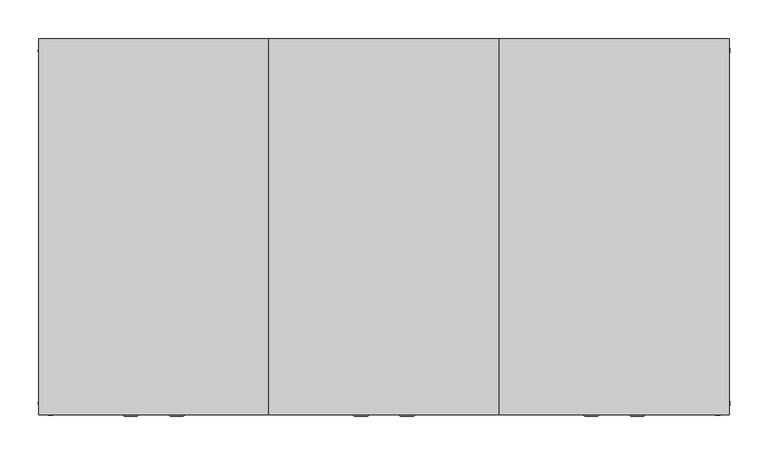
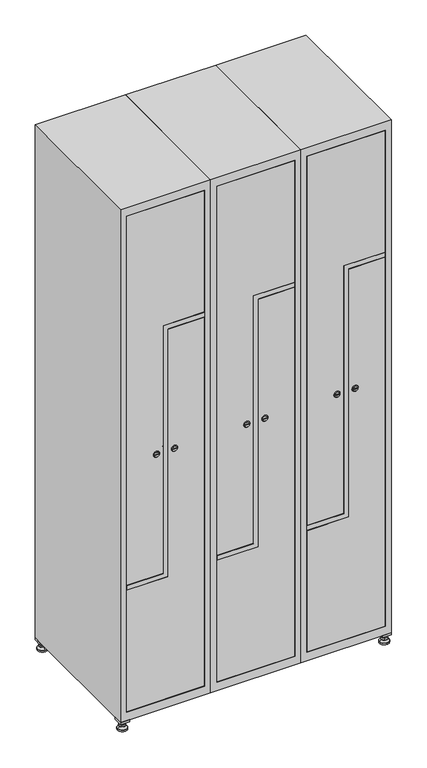
"""IFC4 building model written with IfcOpenShell, lengths in millimetres: furniture geometry."""

from ifc_helpers import new_model, si_unit, point, frame, frame_2d, origin, origin_with_axes, place, context, project, spatial, polyline, circle_curve, trimmed, segment, composite_curve, outline, extrude, faceted_brep, source, transform, mapped, element, save
from ifc_brep_helpers import plane_surface, revolved_surface, advanced_brep


def furniture_17e554ae(model_context):
    return source(origin(), model_context, "Body", "SolidModel", [
        extrude(outline(polyline([(700.0, 245.0), (700.0, 215.0), (670.0, 215.0), (670.0, 245.0), (700.0, 245.0)]), holes=[polyline([(698.0, 243.0), (672.0, 243.0), (672.0, 217.0), (698.0, 217.0), (698.0, 243.0)])]), frame((0.0, 0.0, 28.5), z_axis=(0.0, 0.0, 1.0), x_axis=(1.0, 0.0, 0.0)), (0.0, 0.0, 1.0), 6.5),
        extrude(outline(polyline([(670.0, -245.0), (670.0, -215.0), (700.0, -215.0), (700.0, -245.0), (670.0, -245.0)]), holes=[polyline([(672.0, -243.0), (698.0, -243.0), (698.0, -217.0), (672.0, -217.0), (672.0, -243.0)])]), frame((0.0, 0.0, 28.5), z_axis=(0.0, 0.0, 1.0), x_axis=(1.0, 0.0, 0.0)), (0.0, 0.0, 1.0), 6.5),
        extrude(outline(polyline([(-170.0, 245.0), (-170.0, 215.0), (-200.0, 215.0), (-200.0, 245.0), (-170.0, 245.0)]), holes=[polyline([(-172.0, 243.0), (-198.0, 243.0), (-198.0, 217.0), (-172.0, 217.0), (-172.0, 243.0)])]), frame((0.0, 0.0, 28.5), z_axis=(0.0, 0.0, 1.0), x_axis=(1.0, 0.0, 0.0)), (0.0, 0.0, 1.0), 6.5),
        extrude(outline(polyline([(-170.0, -215.0), (-170.0, -245.0), (-200.0, -245.0), (-200.0, -215.0), (-170.0, -215.0)]), holes=[polyline([(-198.0, -243.0), (-172.0, -243.0), (-172.0, -217.0), (-198.0, -217.0), (-198.0, -243.0)])]), frame((0.0, 0.0, 28.5), z_axis=(0.0, 0.0, 1.0), x_axis=(1.0, 0.0, 0.0)), (0.0, 0.0, 1.0), 6.5),
        extrude(outline(composite_curve([segment(trimmed(circle_curve(frame_2d((-185.0, 230.0)), 5.0), [point((-180.0, 230.0))], [point((-190.0, 230.0))], False, "CARTESIAN"), True, "CONTINUOUS"), segment(trimmed(circle_curve(frame_2d((-185.0, 230.0)), 5.0), [point((-190.0, 230.0))], [point((-180.0, 230.0))], False, "CARTESIAN"), True, "CONTINUOUS")], self_intersect=False)), frame((0.0, 0.0, 19.6), z_axis=(0.0, 0.0, 1.0), x_axis=(1.0, 0.0, 0.0)), (0.0, 0.0, 1.0), 15.4),
        extrude(outline(composite_curve([segment(trimmed(circle_curve(frame_2d((-185.0, -230.0)), 5.0), [point((-180.0, -230.0))], [point((-190.0, -230.0))], False, "CARTESIAN"), True, "CONTINUOUS"), segment(trimmed(circle_curve(frame_2d((-185.0, -230.0)), 5.0), [point((-190.0, -230.0))], [point((-180.0, -230.0))], False, "CARTESIAN"), True, "CONTINUOUS")], self_intersect=False)), frame((0.0, 0.0, 19.6), z_axis=(0.0, 0.0, 1.0), x_axis=(1.0, 0.0, 0.0)), (0.0, 0.0, 1.0), 15.4),
        extrude(outline(composite_curve([segment(trimmed(circle_curve(frame_2d((685.0, 230.0)), 5.0), [point((690.0, 230.0))], [point((680.0, 230.0))], False, "CARTESIAN"), True, "CONTINUOUS"), segment(trimmed(circle_curve(frame_2d((685.0, 230.0)), 5.0), [point((680.0, 230.0))], [point((690.0, 230.0))], False, "CARTESIAN"), True, "CONTINUOUS")], self_intersect=False)), frame((0.0, 0.0, 19.6), z_axis=(0.0, 0.0, 1.0), x_axis=(1.0, 0.0, 0.0)), (0.0, 0.0, 1.0), 15.4),
        extrude(outline(polyline([(673.4529946, 230.0), (679.2264973, 240.0), (690.7735027, 240.0), (696.5470054, 230.0), (690.7735027, 220.0), (679.2264973, 220.0), (673.4529946, 230.0)])), frame((0.0, 0.0, 13.6), z_axis=(0.0, 0.0, 1.0), x_axis=(1.0, 0.0, 0.0)), (0.0, 0.0, 1.0), 6.0),
        extrude(outline(composite_curve([segment(trimmed(circle_curve(frame_2d((685.0, -230.0)), 5.0), [point((690.0, -230.0))], [point((680.0, -230.0))], False, "CARTESIAN"), True, "CONTINUOUS"), segment(trimmed(circle_curve(frame_2d((685.0, -230.0)), 5.0), [point((680.0, -230.0))], [point((690.0, -230.0))], False, "CARTESIAN"), True, "CONTINUOUS")], self_intersect=False)), frame((0.0, 0.0, 19.6), z_axis=(0.0, 0.0, 1.0), x_axis=(1.0, 0.0, 0.0)), (0.0, 0.0, 1.0), 15.4),
        extrude(outline(polyline([(673.4529946, -230.0), (679.2264973, -220.0), (690.7735027, -220.0), (696.5470054, -230.0), (690.7735027, -240.0), (679.2264973, -240.0), (673.4529946, -230.0)])), frame((0.0, 0.0, 13.6), z_axis=(0.0, 0.0, 1.0), x_axis=(1.0, 0.0, 0.0)), (0.0, 0.0, 1.0), 6.0),
        extrude(outline(composite_curve([segment(trimmed(circle_curve(frame_2d((685.0, 230.0)), 5.0), [point((690.0, 230.0))], [point((680.0, 230.0))], False, "CARTESIAN"), True, "CONTINUOUS"), segment(trimmed(circle_curve(frame_2d((685.0, 230.0)), 5.0), [point((680.0, 230.0))], [point((690.0, 230.0))], False, "CARTESIAN"), True, "CONTINUOUS")], self_intersect=False)), frame((0.0, 0.0, 12.1), z_axis=(0.0, 0.0, 1.0), x_axis=(1.0, 0.0, 0.0)), (0.0, 0.0, 1.0), 1.5),
        extrude(outline(composite_curve([segment(trimmed(circle_curve(frame_2d((685.0, -230.0)), 5.0), [point((690.0, -230.0))], [point((680.0, -230.0))], False, "CARTESIAN"), True, "CONTINUOUS"), segment(trimmed(circle_curve(frame_2d((685.0, -230.0)), 5.0), [point((680.0, -230.0))], [point((690.0, -230.0))], False, "CARTESIAN"), True, "CONTINUOUS")], self_intersect=False)), frame((0.0, 0.0, 12.1), z_axis=(0.0, 0.0, 1.0), x_axis=(1.0, 0.0, 0.0)), (0.0, 0.0, 1.0), 1.5),
        extrude(outline(polyline([(-196.5470054, 230.0), (-190.7735027, 240.0), (-179.2264973, 240.0), (-173.4529946, 230.0), (-179.2264973, 220.0), (-190.7735027, 220.0), (-196.5470054, 230.0)])), frame((0.0, 0.0, 13.6), z_axis=(0.0, 0.0, 1.0), x_axis=(1.0, 0.0, 0.0)), (0.0, 0.0, 1.0), 6.0),
        extrude(outline(polyline([(-196.5470054, -230.0), (-190.7735027, -220.0), (-179.2264973, -220.0), (-173.4529946, -230.0), (-179.2264973, -240.0), (-190.7735027, -240.0), (-196.5470054, -230.0)])), frame((0.0, 0.0, 13.6), z_axis=(0.0, 0.0, 1.0), x_axis=(1.0, 0.0, 0.0)), (0.0, 0.0, 1.0), 6.0),
        extrude(outline(composite_curve([segment(trimmed(circle_curve(frame_2d((-185.0, 230.0)), 5.0), [point((-185.0, 235.0))], [point((-185.0, 225.0))], False, "CARTESIAN"), True, "CONTINUOUS"), segment(trimmed(circle_curve(frame_2d((-185.0, 230.0)), 5.0), [point((-185.0, 225.0))], [point((-185.0, 235.0))], False, "CARTESIAN"), True, "CONTINUOUS")], self_intersect=False)), frame((0.0, 0.0, 12.1), z_axis=(0.0, 0.0, 1.0), x_axis=(1.0, 0.0, 0.0)), (0.0, 0.0, 1.0), 1.5),
        extrude(outline(composite_curve([segment(trimmed(circle_curve(frame_2d((-185.0, -230.0)), 5.0), [point((-180.0, -230.0))], [point((-190.0, -230.0))], False, "CARTESIAN"), True, "CONTINUOUS"), segment(trimmed(circle_curve(frame_2d((-185.0, -230.0)), 5.0), [point((-190.0, -230.0))], [point((-180.0, -230.0))], False, "CARTESIAN"), True, "CONTINUOUS")], self_intersect=False)), frame((0.0, 0.0, 12.1), z_axis=(0.0, 0.0, 1.0), x_axis=(1.0, 0.0, 0.0)), (0.0, 0.0, 1.0), 1.5),
        extrude(outline(composite_curve([segment(trimmed(circle_curve(frame_2d((685.0, 230.0)), 15.75), [point((700.75, 230.0))], [point((669.25, 230.0))], False, "CARTESIAN"), True, "CONTINUOUS"), segment(trimmed(circle_curve(frame_2d((685.0, 230.0)), 15.75), [point((669.25, 230.0))], [point((700.75, 230.0))], False, "CARTESIAN"), True, "CONTINUOUS")], self_intersect=False)), origin_with_axes(), (0.0, 0.0, 1.0), 5.1),
        extrude(outline(composite_curve([segment(trimmed(circle_curve(frame_2d((685.0, -230.0)), 15.75), [point((685.0, -214.25))], [point((685.0, -245.75))], False, "CARTESIAN"), True, "CONTINUOUS"), segment(trimmed(circle_curve(frame_2d((685.0, -230.0)), 15.75), [point((685.0, -245.75))], [point((685.0, -214.25))], False, "CARTESIAN"), True, "CONTINUOUS")], self_intersect=False)), origin_with_axes(), (0.0, 0.0, 1.0), 5.1),
        extrude(outline(composite_curve([segment(trimmed(circle_curve(frame_2d((-185.0, -230.0)), 15.75), [point((-169.25, -230.0))], [point((-200.75, -230.0))], False, "CARTESIAN"), True, "CONTINUOUS"), segment(trimmed(circle_curve(frame_2d((-185.0, -230.0)), 15.75), [point((-200.75, -230.0))], [point((-169.25, -230.0))], False, "CARTESIAN"), True, "CONTINUOUS")], self_intersect=False)), origin_with_axes(), (0.0, 0.0, 1.0), 5.1),
        extrude(outline(composite_curve([segment(trimmed(circle_curve(frame_2d((-185.0, 230.0)), 15.75), [point((-169.25, 230.0))], [point((-200.75, 230.0))], False, "CARTESIAN"), True, "CONTINUOUS"), segment(trimmed(circle_curve(frame_2d((-185.0, 230.0)), 15.75), [point((-200.75, 230.0))], [point((-169.25, 230.0))], False, "CARTESIAN"), True, "CONTINUOUS")], self_intersect=False)), origin_with_axes(), (0.0, 0.0, 1.0), 5.1),
        advanced_brep(
        [(-185.0, 245.75, 5.1), (-185.0, 214.25, 5.1), (-185.0, 239.5, 12.1), (-185.0, 220.5, 12.1)],
        [
            (0, 1, circle_curve(frame((-185.0, 230.0, 5.1), z_axis=(0.0, 0.0, -1.0), x_axis=(0.0, 1.0, 0.0)), 15.75)),
            (1, 0, circle_curve(frame((-185.0, 230.0, 5.1), z_axis=(0.0, 0.0, -1.0), x_axis=(0.0, -1.0, 0.0)), 15.75)),
            (2, 3, circle_curve(frame((-185.0, 230.0, 12.1), z_axis=(0.0, 0.0, 1.0), x_axis=(0.0, -1.0, 0.0)), 9.5)),
            (3, 2, circle_curve(frame((-185.0, 230.0, 12.1), z_axis=(0.0, 0.0, 1.0), x_axis=(0.0, 1.0, 0.0)), 9.5)),
            (3, 1),
            (0, 2),
        ],
        [
            plane_surface(frame((-185.0, 230.0, 5.1), z_axis=(0.0, 0.0, -1.0), x_axis=(1.0, 0.0, 0.0))),
            plane_surface(frame((-185.0, 230.0, 12.1), z_axis=(0.0, 0.0, 1.0), x_axis=(1.0, 0.0, 0.0))),
            revolved_surface(polyline([(-185.0, 220.5, 12.099999999999998), (-185.0, 214.25, 5.099999999999998)]), (-185.0, 230.0, 22.74), (0.0, 0.0, -1.0)),
            revolved_surface(polyline([(-185.0, 239.5, 12.099999999999998), (-185.0, 245.75, 5.099999999999998)]), (-185.0, 230.0, 22.74), (0.0, 0.0, -1.0)),
        ],
        [
            (0, [[1, 2]]),
            (1, [[3, 4]]),
            (2, [[-4, 5, -1, 6]]),
            (3, [[-3, -6, -2, -5]]),
        ],
    ),
        advanced_brep(
        [(685.0, 245.75, 5.1), (685.0, 214.25, 5.1), (685.0, 239.5, 12.1), (685.0, 220.5, 12.1)],
        [
            (0, 1, circle_curve(frame((685.0, 230.0, 5.1), z_axis=(0.0, 0.0, -1.0), x_axis=(0.0, 1.0, 0.0)), 15.75)),
            (1, 0, circle_curve(frame((685.0, 230.0, 5.1), z_axis=(0.0, 0.0, -1.0), x_axis=(0.0, -1.0, 0.0)), 15.75)),
            (2, 3, circle_curve(frame((685.0, 230.0, 12.1), z_axis=(0.0, 0.0, 1.0), x_axis=(0.0, -1.0, 0.0)), 9.5)),
            (3, 2, circle_curve(frame((685.0, 230.0, 12.1), z_axis=(0.0, 0.0, 1.0), x_axis=(0.0, 1.0, 0.0)), 9.5)),
            (3, 1),
            (0, 2),
        ],
        [
            plane_surface(frame((685.0, 230.0, 5.1), z_axis=(0.0, 0.0, -1.0), x_axis=(1.0, 0.0, 0.0))),
            plane_surface(frame((685.0, 230.0, 12.1), z_axis=(0.0, 0.0, 1.0), x_axis=(1.0, 0.0, 0.0))),
            revolved_surface(polyline([(685.0, 220.5, 12.099999999999998), (685.0, 214.25, 5.099999999999998)]), (685.0, 230.0, 22.74), (0.0, 0.0, -1.0)),
            revolved_surface(polyline([(685.0, 239.5, 12.099999999999998), (685.0, 245.75, 5.099999999999998)]), (685.0, 230.0, 22.74), (0.0, 0.0, -1.0)),
        ],
        [
            (0, [[1, 2]]),
            (1, [[3, 4]]),
            (2, [[-4, 5, -1, 6]]),
            (3, [[-3, -6, -2, -5]]),
        ],
    ),
        advanced_brep(
        [(694.5, -230.0, 12.1), (675.5, -230.0, 12.1), (700.75, -230.0, 5.1), (669.25, -230.0, 5.1)],
        [
            (0, 1, circle_curve(frame((685.0, -230.0, 12.1), z_axis=(0.0, 0.0, 1.0), x_axis=(1.0, 0.0, 0.0)), 9.5)),
            (1, 0, circle_curve(frame((685.0, -230.0, 12.1), z_axis=(0.0, 0.0, 1.0), x_axis=(-1.0, 0.0, 0.0)), 9.5)),
            (2, 3, circle_curve(frame((685.0, -230.0, 5.1), z_axis=(0.0, 0.0, -1.0), x_axis=(-1.0, 0.0, 0.0)), 15.75)),
            (3, 2, circle_curve(frame((685.0, -230.0, 5.1), z_axis=(0.0, 0.0, -1.0), x_axis=(1.0, 0.0, 0.0)), 15.75)),
            (3, 1),
            (0, 2),
        ],
        [
            plane_surface(frame((685.0, -230.0, 12.1), z_axis=(0.0, 0.0, 1.0), x_axis=(0.0, 1.0, 0.0))),
            plane_surface(frame((685.0, -230.0, 5.1), z_axis=(0.0, 0.0, -1.0), x_axis=(0.0, 1.0, 0.0))),
            revolved_surface(polyline([(694.5, -230.0, 12.099999999999998), (700.75, -230.0, 5.099999999999998)]), (685.0, -230.0, 22.74), (0.0, 0.0, -1.0)),
            revolved_surface(polyline([(675.5, -230.0, 12.099999999999998), (669.25, -230.0, 5.099999999999998)]), (685.0, -230.0, 22.74), (0.0, 0.0, -1.0)),
        ],
        [
            (0, [[1, 2]]),
            (1, [[3, 4]]),
            (2, [[-4, 5, -1, 6]]),
            (3, [[-3, -6, -2, -5]]),
        ],
    ),
        advanced_brep(
        [(-175.5, -230.0, 12.1), (-194.5, -230.0, 12.1), (-169.25, -230.0, 5.1), (-200.75, -230.0, 5.1)],
        [
            (0, 1, circle_curve(frame((-185.0, -230.0, 12.1), z_axis=(0.0, 0.0, 1.0), x_axis=(1.0, 0.0, 0.0)), 9.5)),
            (1, 0, circle_curve(frame((-185.0, -230.0, 12.1), z_axis=(0.0, 0.0, 1.0), x_axis=(-1.0, 0.0, 0.0)), 9.5)),
            (2, 3, circle_curve(frame((-185.0, -230.0, 5.1), z_axis=(0.0, 0.0, -1.0), x_axis=(-1.0, 0.0, 0.0)), 15.75)),
            (3, 2, circle_curve(frame((-185.0, -230.0, 5.1), z_axis=(0.0, 0.0, -1.0), x_axis=(1.0, 0.0, 0.0)), 15.75)),
            (3, 1),
            (0, 2),
        ],
        [
            plane_surface(frame((-185.0, -230.0, 12.1), z_axis=(0.0, 0.0, 1.0), x_axis=(0.0, 1.0, 0.0))),
            plane_surface(frame((-185.0, -230.0, 5.1), z_axis=(0.0, 0.0, -1.0), x_axis=(0.0, 1.0, 0.0))),
            revolved_surface(polyline([(-175.5, -230.0, 12.099999999999998), (-169.25, -230.0, 5.099999999999998)]), (-185.0, -230.0, 22.74), (0.0, 0.0, -1.0)),
            revolved_surface(polyline([(-194.5, -230.0, 12.099999999999998), (-200.75, -230.0, 5.099999999999998)]), (-185.0, -230.0, 22.74), (0.0, 0.0, -1.0)),
        ],
        [
            (0, [[1, 2]]),
            (1, [[3, 4]]),
            (2, [[-4, 5, -1, 6]]),
            (3, [[-3, -6, -2, -5]]),
        ],
    ),
        extrude(outline(composite_curve([segment(trimmed(circle_curve(frame_2d((935.0, 546.7989466)), 7.0), [point((928.0, 546.7989466))], [point((942.0, 546.7989466))], False, "CARTESIAN"), True, "CONTINUOUS"), segment(polyline([(942.0, 546.7989466), (942.0, 518.7989466)]), True, "CONTINUOUS"), segment(trimmed(circle_curve(frame_2d((935.0, 518.7989466)), 7.0), [point((942.0, 518.7989466))], [point((928.0, 518.7989466))], False, "CARTESIAN"), True, "CONTINUOUS"), segment(polyline([(928.0, 518.7989466), (928.0, 546.7989466)]), True, "CONTINUOUS")], self_intersect=False)), frame((0.0, -227.0, 0.0), z_axis=(0.0, 1.0, 0.0), x_axis=(0.0, 0.0, 1.0)), (0.0, 0.0, 1.0), 2.0),
        advanced_brep(
        [(511.5, -247.2, 935.0), (528.5, -247.2, 935.0), (525.0, -247.2, 936.25), (525.0, -247.2, 933.75), (515.0, -247.2, 933.75), (515.0, -247.2, 936.25), (509.5, -245.0, 935.0), (530.5, -245.0, 935.0), (525.0, -245.0, 933.75), (525.0, -245.0, 936.25), (515.0, -245.0, 936.25), (515.0, -245.0, 933.75)],
        [
            (0, 1, circle_curve(frame((520.0, -247.2, 935.0), z_axis=(0.0, -1.0, 0.0), x_axis=(-1.0, 0.0, 0.0)), 8.5)),
            (1, 0, circle_curve(frame((520.0, -247.2, 935.0), z_axis=(0.0, -1.0, 0.0), x_axis=(1.0, 0.0, 0.0)), 8.5)),
            (2, 3),
            (3, 4),
            (4, 5),
            (5, 2),
            (6, 7, circle_curve(frame((520.0, -245.0, 935.0), z_axis=(0.0, 1.0, 0.0), x_axis=(1.0, 0.0, 0.0)), 10.5)),
            (7, 6, circle_curve(frame((520.0, -245.0, 935.0), z_axis=(0.0, 1.0, 0.0), x_axis=(-1.0, 0.0, 0.0)), 10.5)),
            (8, 9),
            (9, 10),
            (10, 11),
            (11, 8),
            (0, 6),
            (7, 1),
            (8, 3),
            (2, 9),
            (11, 4),
            (10, 5),
        ],
        [
            plane_surface(frame((520.0, -247.2, 935.0), z_axis=(0.0, -1.0, 0.0), x_axis=(0.0, 0.0, -1.0))),
            plane_surface(frame((520.0, -245.0, 935.0), z_axis=(0.0, 1.0, 0.0), x_axis=(0.0, 0.0, -1.0))),
            revolved_surface(polyline([(511.5, -247.2, 935.0), (509.5, -245.0, 935.0)]), (520.0, -256.55, 935.0), (0.0, 1.0, 0.0)),
            revolved_surface(polyline([(528.5, -247.2, 935.0), (530.5, -245.0, 935.0)]), (520.0, -256.55, 935.0), (0.0, 1.0, 0.0)),
            plane_surface(frame((525.0, -245.0, 936.25), z_axis=(-1.0, 0.0, 0.0), x_axis=(0.0, -1.0, 0.0))),
            plane_surface(frame((525.0, -245.0, 933.75), z_axis=(0.0, 0.0, 1.0), x_axis=(0.0, -1.0, 0.0))),
            plane_surface(frame((515.0, -245.0, 933.75), z_axis=(1.0, 0.0, 0.0), x_axis=(0.0, -1.0, 0.0))),
            plane_surface(frame((515.0, -245.0, 936.25), z_axis=(0.0, 0.0, -1.0), x_axis=(0.0, -1.0, 0.0))),
        ],
        [
            (0, [[1, 2], [3, 4, 5, 6]]),
            (1, [[7, 8], [9, 10, 11, 12]]),
            (2, [[-1, 13, -8, 14]]),
            (3, [[-2, -14, -7, -13]]),
            (4, [[15, -3, 16, -9]]),
            (5, [[-15, -12, 17, -4]]),
            (6, [[-17, -11, 18, -5]]),
            (7, [[-16, -6, -18, -10]]),
        ],
    ),
        extrude(outline(polyline([(1803.8, 421.4), (509.6, 421.4), (509.6, 541.0), (1378.4, 541.0), (1378.4, 678.6), (1803.8, 678.6), (1803.8, 421.4)])), frame((0.0, -245.0, 0.0), z_axis=(0.0, 1.0, 0.0), x_axis=(0.0, 0.0, 1.0)), (0.0, 0.0, 1.0), 18.0),
        extrude(outline(composite_curve([segment(trimmed(circle_curve(frame_2d((935.0, 553.2010534)), 7.0), [point((942.0, 553.2010534))], [point((928.0, 553.2010534))], False, "CARTESIAN"), True, "CONTINUOUS"), segment(polyline([(928.0, 553.2010534), (928.0, 581.2010534)]), True, "CONTINUOUS"), segment(trimmed(circle_curve(frame_2d((935.0, 581.2010534)), 7.0), [point((928.0, 581.2010534))], [point((942.0, 581.2010534))], False, "CARTESIAN"), True, "CONTINUOUS"), segment(polyline([(942.0, 581.2010534), (942.0, 553.2010534)]), True, "CONTINUOUS")], self_intersect=False)), frame((0.0, -227.0, 0.0), z_axis=(0.0, 1.0, 0.0), x_axis=(0.0, 0.0, 1.0)), (0.0, 0.0, 1.0), 2.0),
        advanced_brep(
        [(588.5, -247.2, 935.0), (571.5, -247.2, 935.0), (575.0, -247.2, 933.75), (575.0, -247.2, 936.25), (585.0, -247.2, 936.25), (585.0, -247.2, 933.75), (590.5, -245.0, 935.0), (569.5, -245.0, 935.0), (575.0, -245.0, 936.25), (575.0, -245.0, 933.75), (585.0, -245.0, 933.75), (585.0, -245.0, 936.25)],
        [
            (0, 1, circle_curve(frame((580.0, -247.2, 935.0), z_axis=(0.0, -1.0, 0.0), x_axis=(1.0, 0.0, 0.0)), 8.5)),
            (1, 0, circle_curve(frame((580.0, -247.2, 935.0), z_axis=(0.0, -1.0, 0.0), x_axis=(-1.0, 0.0, 0.0)), 8.5)),
            (2, 3),
            (3, 4),
            (4, 5),
            (5, 2),
            (6, 7, circle_curve(frame((580.0, -245.0, 935.0), z_axis=(0.0, 1.0, 0.0), x_axis=(-1.0, 0.0, 0.0)), 10.5)),
            (7, 6, circle_curve(frame((580.0, -245.0, 935.0), z_axis=(0.0, 1.0, 0.0), x_axis=(1.0, 0.0, 0.0)), 10.5)),
            (8, 9),
            (9, 10),
            (10, 11),
            (11, 8),
            (0, 6),
            (7, 1),
            (8, 3),
            (2, 9),
            (11, 4),
            (10, 5),
        ],
        [
            plane_surface(frame((580.0, -247.2, 935.0), z_axis=(0.0, -1.0, 0.0), x_axis=(0.0, 0.0, 1.0))),
            plane_surface(frame((580.0, -245.0, 935.0), z_axis=(0.0, 1.0, 0.0), x_axis=(0.0, 0.0, 1.0))),
            revolved_surface(polyline([(588.5, -247.2, 935.0), (590.5, -245.0, 935.0)]), (580.0, -256.55, 935.0), (0.0, 1.0, 0.0)),
            revolved_surface(polyline([(571.5, -247.2, 935.0), (569.5, -245.0, 935.0)]), (580.0, -256.55, 935.0), (0.0, 1.0, 0.0)),
            plane_surface(frame((575.0, -245.0, 933.75), z_axis=(1.0, 0.0, 0.0), x_axis=(0.0, -1.0, 0.0))),
            plane_surface(frame((575.0, -245.0, 936.25), z_axis=(0.0, 0.0, -1.0), x_axis=(0.0, -1.0, 0.0))),
            plane_surface(frame((585.0, -245.0, 936.25), z_axis=(-1.0, 0.0, 0.0), x_axis=(0.0, -1.0, 0.0))),
            plane_surface(frame((585.0, -245.0, 933.75), z_axis=(0.0, 0.0, 1.0), x_axis=(0.0, -1.0, 0.0))),
        ],
        [
            (0, [[1, 2], [3, 4, 5, 6]]),
            (1, [[7, 8], [9, 10, 11, 12]]),
            (2, [[-1, 13, -8, 14]]),
            (3, [[-2, -14, -7, -13]]),
            (4, [[15, -3, 16, -9]]),
            (5, [[-15, -12, 17, -4]]),
            (6, [[-17, -11, 18, -5]]),
            (7, [[-16, -6, -18, -10]]),
        ],
    ),
        extrude(outline(polyline([(66.2, 678.6), (1360.4, 678.6), (1360.4, 559.0), (491.6, 559.0), (491.6, 421.4), (66.2, 421.4), (66.2, 678.6)])), frame((0.0, -245.0, 0.0), z_axis=(0.0, 1.0, 0.0), x_axis=(0.0, 0.0, 1.0)), (0.0, 0.0, 1.0), 18.0),
        extrude(outline(polyline([(1361.4, 679.6), (1377.4, 679.6), (1377.4, 542.0), (508.6, 542.0), (508.6, 420.4), (492.6, 420.4), (492.6, 558.0), (1361.4, 558.0), (1361.4, 679.6)])), frame((0.0, -245.0, 0.0), z_axis=(0.0, 1.0, 0.0), x_axis=(0.0, 0.0, 1.0)), (0.0, 0.0, 1.0), 487.0),
        faceted_brep([(700.0, -245.0, 35.0), (700.0, -245.0, 1835.0), (400.0, -245.0, 1835.0), (400.0, -245.0, 35.0), (679.6, -245.0, 1804.8), (679.6, -245.0, 65.2), (420.4, -245.0, 65.2), (420.4, -245.0, 1804.8), (700.0, 245.0, 35.0), (400.0, 245.0, 35.0), (700.0, 245.0, 1835.0), (400.0, 245.0, 1835.0), (679.6, 242.0, 1804.8), (679.6, 242.0, 65.2), (400.0, 245.0, 1804.8), (420.4, 242.0, 1804.8), (420.4, 242.0, 65.2)], [[[0, 1, 2, 3], [4, 5, 6, 7]], [[8, 0, 3, 9]], [[1, 0, 8, 10]], [[1, 10, 11, 2]], [[4, 12, 13, 5]], [[9, 3, 2, 11, 14]], [[10, 8, 9, 14, 11]], [[12, 15, 16, 13]], [[15, 7, 6, 16]], [[4, 7, 15, 12]], [[6, 5, 13, 16]]]),
        extrude(outline(composite_curve([segment(trimmed(circle_curve(frame_2d((935.0, 246.7989466)), 7.0), [point((928.0, 246.7989466))], [point((942.0, 246.7989466))], False, "CARTESIAN"), True, "CONTINUOUS"), segment(polyline([(942.0, 246.7989466), (942.0, 218.7989466)]), True, "CONTINUOUS"), segment(trimmed(circle_curve(frame_2d((935.0, 218.7989466)), 7.0), [point((942.0, 218.7989466))], [point((928.0, 218.7989466))], False, "CARTESIAN"), True, "CONTINUOUS"), segment(polyline([(928.0, 218.7989466), (928.0, 246.7989466)]), True, "CONTINUOUS")], self_intersect=False)), frame((0.0, -227.0, 0.0), z_axis=(0.0, 1.0, 0.0), x_axis=(0.0, 0.0, 1.0)), (0.0, 0.0, 1.0), 2.0),
        advanced_brep(
        [(211.5, -247.2, 935.0), (228.5, -247.2, 935.0), (225.0, -247.2, 936.25), (225.0, -247.2, 933.75), (215.0, -247.2, 933.75), (215.0, -247.2, 936.25), (209.5, -245.0, 935.0), (230.5, -245.0, 935.0), (225.0, -245.0, 933.75), (225.0, -245.0, 936.25), (215.0, -245.0, 936.25), (215.0, -245.0, 933.75)],
        [
            (0, 1, circle_curve(frame((220.0, -247.2, 935.0), z_axis=(0.0, -1.0, 0.0), x_axis=(-1.0, 0.0, 0.0)), 8.5)),
            (1, 0, circle_curve(frame((220.0, -247.2, 935.0), z_axis=(0.0, -1.0, 0.0), x_axis=(1.0, 0.0, 0.0)), 8.5)),
            (2, 3),
            (3, 4),
            (4, 5),
            (5, 2),
            (6, 7, circle_curve(frame((220.0, -245.0, 935.0), z_axis=(0.0, 1.0, 0.0), x_axis=(1.0, 0.0, 0.0)), 10.5)),
            (7, 6, circle_curve(frame((220.0, -245.0, 935.0), z_axis=(0.0, 1.0, 0.0), x_axis=(-1.0, 0.0, 0.0)), 10.5)),
            (8, 9),
            (9, 10),
            (10, 11),
            (11, 8),
            (0, 6),
            (7, 1),
            (8, 3),
            (2, 9),
            (11, 4),
            (10, 5),
        ],
        [
            plane_surface(frame((220.0, -247.2, 935.0), z_axis=(0.0, -1.0, 0.0), x_axis=(0.0, 0.0, -1.0))),
            plane_surface(frame((220.0, -245.0, 935.0), z_axis=(0.0, 1.0, 0.0), x_axis=(0.0, 0.0, -1.0))),
            revolved_surface(polyline([(211.5, -247.2, 935.0), (209.5, -245.0, 935.0)]), (220.0, -256.55, 935.0), (0.0, 1.0, 0.0)),
            revolved_surface(polyline([(228.5, -247.2, 935.0), (230.5, -245.0, 935.0)]), (220.0, -256.55, 935.0), (0.0, 1.0, 0.0)),
            plane_surface(frame((225.0, -245.0, 936.25), z_axis=(-1.0, 0.0, 0.0), x_axis=(0.0, -1.0, 0.0))),
            plane_surface(frame((225.0, -245.0, 933.75), z_axis=(0.0, 0.0, 1.0), x_axis=(0.0, -1.0, 0.0))),
            plane_surface(frame((215.0, -245.0, 933.75), z_axis=(1.0, 0.0, 0.0), x_axis=(0.0, -1.0, 0.0))),
            plane_surface(frame((215.0, -245.0, 936.25), z_axis=(0.0, 0.0, -1.0), x_axis=(0.0, -1.0, 0.0))),
        ],
        [
            (0, [[1, 2], [3, 4, 5, 6]]),
            (1, [[7, 8], [9, 10, 11, 12]]),
            (2, [[-1, 13, -8, 14]]),
            (3, [[-2, -14, -7, -13]]),
            (4, [[15, -3, 16, -9]]),
            (5, [[-15, -12, 17, -4]]),
            (6, [[-17, -11, 18, -5]]),
            (7, [[-16, -6, -18, -10]]),
        ],
    ),
        extrude(outline(polyline([(1803.8, 121.4), (509.6, 121.4), (509.6, 241.0), (1378.4, 241.0), (1378.4, 378.6), (1803.8, 378.6), (1803.8, 121.4)])), frame((0.0, -245.0, 0.0), z_axis=(0.0, 1.0, 0.0), x_axis=(0.0, 0.0, 1.0)), (0.0, 0.0, 1.0), 18.0),
        extrude(outline(composite_curve([segment(trimmed(circle_curve(frame_2d((935.0, 253.2010534)), 7.0), [point((942.0, 253.2010534))], [point((928.0, 253.2010534))], False, "CARTESIAN"), True, "CONTINUOUS"), segment(polyline([(928.0, 253.2010534), (928.0, 281.2010534)]), True, "CONTINUOUS"), segment(trimmed(circle_curve(frame_2d((935.0, 281.2010534)), 7.0), [point((928.0, 281.2010534))], [point((942.0, 281.2010534))], False, "CARTESIAN"), True, "CONTINUOUS"), segment(polyline([(942.0, 281.2010534), (942.0, 253.2010534)]), True, "CONTINUOUS")], self_intersect=False)), frame((0.0, -227.0, 0.0), z_axis=(0.0, 1.0, 0.0), x_axis=(0.0, 0.0, 1.0)), (0.0, 0.0, 1.0), 2.0),
        advanced_brep(
        [(288.5, -247.2, 935.0), (271.5, -247.2, 935.0), (275.0, -247.2, 933.75), (275.0, -247.2, 936.25), (285.0, -247.2, 936.25), (285.0, -247.2, 933.75), (290.5, -245.0, 935.0), (269.5, -245.0, 935.0), (275.0, -245.0, 936.25), (275.0, -245.0, 933.75), (285.0, -245.0, 933.75), (285.0, -245.0, 936.25)],
        [
            (0, 1, circle_curve(frame((280.0, -247.2, 935.0), z_axis=(0.0, -1.0, 0.0), x_axis=(1.0, 0.0, 0.0)), 8.5)),
            (1, 0, circle_curve(frame((280.0, -247.2, 935.0), z_axis=(0.0, -1.0, 0.0), x_axis=(-1.0, 0.0, 0.0)), 8.5)),
            (2, 3),
            (3, 4),
            (4, 5),
            (5, 2),
            (6, 7, circle_curve(frame((280.0, -245.0, 935.0), z_axis=(0.0, 1.0, 0.0), x_axis=(-1.0, 0.0, 0.0)), 10.5)),
            (7, 6, circle_curve(frame((280.0, -245.0, 935.0), z_axis=(0.0, 1.0, 0.0), x_axis=(1.0, 0.0, 0.0)), 10.5)),
            (8, 9),
            (9, 10),
            (10, 11),
            (11, 8),
            (0, 6),
            (7, 1),
            (8, 3),
            (2, 9),
            (11, 4),
            (10, 5),
        ],
        [
            plane_surface(frame((280.0, -247.2, 935.0), z_axis=(0.0, -1.0, 0.0), x_axis=(0.0, 0.0, 1.0))),
            plane_surface(frame((280.0, -245.0, 935.0), z_axis=(0.0, 1.0, 0.0), x_axis=(0.0, 0.0, 1.0))),
            revolved_surface(polyline([(288.5, -247.2, 935.0), (290.5, -245.0, 935.0)]), (280.0, -256.55, 935.0), (0.0, 1.0, 0.0)),
            revolved_surface(polyline([(271.5, -247.2, 935.0), (269.5, -245.0, 935.0)]), (280.0, -256.55, 935.0), (0.0, 1.0, 0.0)),
            plane_surface(frame((275.0, -245.0, 933.75), z_axis=(1.0, 0.0, 0.0), x_axis=(0.0, -1.0, 0.0))),
            plane_surface(frame((275.0, -245.0, 936.25), z_axis=(0.0, 0.0, -1.0), x_axis=(0.0, -1.0, 0.0))),
            plane_surface(frame((285.0, -245.0, 936.25), z_axis=(-1.0, 0.0, 0.0), x_axis=(0.0, -1.0, 0.0))),
            plane_surface(frame((285.0, -245.0, 933.75), z_axis=(0.0, 0.0, 1.0), x_axis=(0.0, -1.0, 0.0))),
        ],
        [
            (0, [[1, 2], [3, 4, 5, 6]]),
            (1, [[7, 8], [9, 10, 11, 12]]),
            (2, [[-1, 13, -8, 14]]),
            (3, [[-2, -14, -7, -13]]),
            (4, [[15, -3, 16, -9]]),
            (5, [[-15, -12, 17, -4]]),
            (6, [[-17, -11, 18, -5]]),
            (7, [[-16, -6, -18, -10]]),
        ],
    ),
        extrude(outline(polyline([(66.2, 378.6), (1360.4, 378.6), (1360.4, 259.0), (491.6, 259.0), (491.6, 121.4), (66.2, 121.4), (66.2, 378.6)])), frame((0.0, -245.0, 0.0), z_axis=(0.0, 1.0, 0.0), x_axis=(0.0, 0.0, 1.0)), (0.0, 0.0, 1.0), 18.0),
        extrude(outline(polyline([(1361.4, 379.6), (1377.4, 379.6), (1377.4, 242.0), (508.6, 242.0), (508.6, 120.4), (492.6, 120.4), (492.6, 258.0), (1361.4, 258.0), (1361.4, 379.6)])), frame((0.0, -245.0, 0.0), z_axis=(0.0, 1.0, 0.0), x_axis=(0.0, 0.0, 1.0)), (0.0, 0.0, 1.0), 487.0),
        faceted_brep([(400.0, -245.0, 35.0), (400.0, -245.0, 1835.0), (100.0, -245.0, 1835.0), (100.0, -245.0, 35.0), (379.6, -245.0, 1804.8), (379.6, -245.0, 65.2), (120.4, -245.0, 65.2), (120.4, -245.0, 1804.8), (400.0, 245.0, 35.0), (100.0, 245.0, 35.0), (400.0, 245.0, 1835.0), (100.0, 245.0, 1835.0), (379.6, 242.0, 1804.8), (379.6, 242.0, 65.2), (100.0, 245.0, 1804.8), (120.4, 242.0, 1804.8), (120.4, 242.0, 65.2)], [[[0, 1, 2, 3], [4, 5, 6, 7]], [[8, 0, 3, 9]], [[1, 0, 8, 10]], [[1, 10, 11, 2]], [[4, 12, 13, 5]], [[9, 3, 2, 11, 14]], [[10, 8, 9, 14, 11]], [[12, 15, 16, 13]], [[15, 7, 6, 16]], [[4, 7, 15, 12]], [[6, 5, 13, 16]]]),
        extrude(outline(composite_curve([segment(trimmed(circle_curve(frame_2d((935.0, -53.2010534)), 7.0), [point((928.0, -53.2010534))], [point((942.0, -53.2010534))], False, "CARTESIAN"), True, "CONTINUOUS"), segment(polyline([(942.0, -53.2010534), (942.0, -81.2010534)]), True, "CONTINUOUS"), segment(trimmed(circle_curve(frame_2d((935.0, -81.2010534)), 7.0), [point((942.0, -81.2010534))], [point((928.0, -81.2010534))], False, "CARTESIAN"), True, "CONTINUOUS"), segment(polyline([(928.0, -81.2010534), (928.0, -53.2010534)]), True, "CONTINUOUS")], self_intersect=False)), frame((0.0, -227.0, 0.0), z_axis=(0.0, 1.0, 0.0), x_axis=(0.0, 0.0, 1.0)), (0.0, 0.0, 1.0), 2.0),
        advanced_brep(
        [(-88.5, -247.2, 935.0), (-71.5, -247.2, 935.0), (-75.0, -247.2, 936.25), (-75.0, -247.2, 933.75), (-85.0, -247.2, 933.75), (-85.0, -247.2, 936.25), (-90.5, -245.0, 935.0), (-69.5, -245.0, 935.0), (-75.0, -245.0, 933.75), (-75.0, -245.0, 936.25), (-85.0, -245.0, 936.25), (-85.0, -245.0, 933.75)],
        [
            (0, 1, circle_curve(frame((-80.0, -247.2, 935.0), z_axis=(0.0, -1.0, 0.0), x_axis=(-1.0, 0.0, 0.0)), 8.5)),
            (1, 0, circle_curve(frame((-80.0, -247.2, 935.0), z_axis=(0.0, -1.0, 0.0), x_axis=(1.0, 0.0, 0.0)), 8.5)),
            (2, 3),
            (3, 4),
            (4, 5),
            (5, 2),
            (6, 7, circle_curve(frame((-80.0, -245.0, 935.0), z_axis=(0.0, 1.0, 0.0), x_axis=(1.0, 0.0, 0.0)), 10.5)),
            (7, 6, circle_curve(frame((-80.0, -245.0, 935.0), z_axis=(0.0, 1.0, 0.0), x_axis=(-1.0, 0.0, 0.0)), 10.5)),
            (8, 9),
            (9, 10),
            (10, 11),
            (11, 8),
            (0, 6),
            (7, 1),
            (8, 3),
            (2, 9),
            (11, 4),
            (10, 5),
        ],
        [
            plane_surface(frame((-80.0, -247.2, 935.0), z_axis=(0.0, -1.0, 0.0), x_axis=(0.0, 0.0, -1.0))),
            plane_surface(frame((-80.0, -245.0, 935.0), z_axis=(0.0, 1.0, 0.0), x_axis=(0.0, 0.0, -1.0))),
            revolved_surface(polyline([(-88.50000000000001, -247.2, 935.0), (-90.5, -245.0, 935.0)]), (-80.0, -256.55, 935.0), (0.0, 1.0, 0.0)),
            revolved_surface(polyline([(-71.49999999999999, -247.2, 935.0), (-69.5, -245.0, 935.0)]), (-80.0, -256.55, 935.0), (0.0, 1.0, 0.0)),
            plane_surface(frame((-75.0, -245.0, 936.25), z_axis=(-1.0, 0.0, 0.0), x_axis=(0.0, -1.0, 0.0))),
            plane_surface(frame((-75.0, -245.0, 933.75), z_axis=(0.0, 0.0, 1.0), x_axis=(0.0, -1.0, 0.0))),
            plane_surface(frame((-85.0, -245.0, 933.75), z_axis=(1.0, 0.0, 0.0), x_axis=(0.0, -1.0, 0.0))),
            plane_surface(frame((-85.0, -245.0, 936.25), z_axis=(0.0, 0.0, -1.0), x_axis=(0.0, -1.0, 0.0))),
        ],
        [
            (0, [[1, 2], [3, 4, 5, 6]]),
            (1, [[7, 8], [9, 10, 11, 12]]),
            (2, [[-1, 13, -8, 14]]),
            (3, [[-2, -14, -7, -13]]),
            (4, [[15, -3, 16, -9]]),
            (5, [[-15, -12, 17, -4]]),
            (6, [[-17, -11, 18, -5]]),
            (7, [[-16, -6, -18, -10]]),
        ],
    ),
        extrude(outline(polyline([(1803.8, -178.6), (509.6, -178.6), (509.6, -59.0), (1378.4, -59.0), (1378.4, 78.6), (1803.8, 78.6), (1803.8, -178.6)])), frame((0.0, -245.0, 0.0), z_axis=(0.0, 1.0, 0.0), x_axis=(0.0, 0.0, 1.0)), (0.0, 0.0, 1.0), 18.0),
        extrude(outline(composite_curve([segment(trimmed(circle_curve(frame_2d((935.0, -46.7989466)), 7.0), [point((942.0, -46.7989466))], [point((928.0, -46.7989466))], False, "CARTESIAN"), True, "CONTINUOUS"), segment(polyline([(928.0, -46.7989466), (928.0, -18.7989466)]), True, "CONTINUOUS"), segment(trimmed(circle_curve(frame_2d((935.0, -18.7989466)), 7.0), [point((928.0, -18.7989466))], [point((942.0, -18.7989466))], False, "CARTESIAN"), True, "CONTINUOUS"), segment(polyline([(942.0, -18.7989466), (942.0, -46.7989466)]), True, "CONTINUOUS")], self_intersect=False)), frame((0.0, -227.0, 0.0), z_axis=(0.0, 1.0, 0.0), x_axis=(0.0, 0.0, 1.0)), (0.0, 0.0, 1.0), 2.0),
        advanced_brep(
        [(-11.5, -247.2, 935.0), (-28.5, -247.2, 935.0), (-25.0, -247.2, 933.75), (-25.0, -247.2, 936.25), (-15.0, -247.2, 936.25), (-15.0, -247.2, 933.75), (-9.5, -245.0, 935.0), (-30.5, -245.0, 935.0), (-25.0, -245.0, 936.25), (-25.0, -245.0, 933.75), (-15.0, -245.0, 933.75), (-15.0, -245.0, 936.25)],
        [
            (0, 1, circle_curve(frame((-20.0, -247.2, 935.0), z_axis=(0.0, -1.0, 0.0), x_axis=(1.0, 0.0, 0.0)), 8.5)),
            (1, 0, circle_curve(frame((-20.0, -247.2, 935.0), z_axis=(0.0, -1.0, 0.0), x_axis=(-1.0, 0.0, 0.0)), 8.5)),
            (2, 3),
            (3, 4),
            (4, 5),
            (5, 2),
            (6, 7, circle_curve(frame((-20.0, -245.0, 935.0), z_axis=(0.0, 1.0, 0.0), x_axis=(-1.0, 0.0, 0.0)), 10.5)),
            (7, 6, circle_curve(frame((-20.0, -245.0, 935.0), z_axis=(0.0, 1.0, 0.0), x_axis=(1.0, 0.0, 0.0)), 10.5)),
            (8, 9),
            (9, 10),
            (10, 11),
            (11, 8),
            (0, 6),
            (7, 1),
            (8, 3),
            (2, 9),
            (11, 4),
            (10, 5),
        ],
        [
            plane_surface(frame((-20.0, -247.2, 935.0), z_axis=(0.0, -1.0, 0.0), x_axis=(0.0, 0.0, 1.0))),
            plane_surface(frame((-20.0, -245.0, 935.0), z_axis=(0.0, 1.0, 0.0), x_axis=(0.0, 0.0, 1.0))),
            revolved_surface(polyline([(-11.499999999999988, -247.2, 935.0), (-9.5, -245.0, 935.0)]), (-20.0, -256.55, 935.0), (0.0, 1.0, 0.0)),
            revolved_surface(polyline([(-28.500000000000014, -247.2, 935.0), (-30.5, -245.0, 935.0)]), (-20.0, -256.55, 935.0), (0.0, 1.0, 0.0)),
            plane_surface(frame((-25.0, -245.0, 933.75), z_axis=(1.0, 0.0, 0.0), x_axis=(0.0, -1.0, 0.0))),
            plane_surface(frame((-25.0, -245.0, 936.25), z_axis=(0.0, 0.0, -1.0), x_axis=(0.0, -1.0, 0.0))),
            plane_surface(frame((-15.0, -245.0, 936.25), z_axis=(-1.0, 0.0, 0.0), x_axis=(0.0, -1.0, 0.0))),
            plane_surface(frame((-15.0, -245.0, 933.75), z_axis=(0.0, 0.0, 1.0), x_axis=(0.0, -1.0, 0.0))),
        ],
        [
            (0, [[1, 2], [3, 4, 5, 6]]),
            (1, [[7, 8], [9, 10, 11, 12]]),
            (2, [[-1, 13, -8, 14]]),
            (3, [[-2, -14, -7, -13]]),
            (4, [[15, -3, 16, -9]]),
            (5, [[-15, -12, 17, -4]]),
            (6, [[-17, -11, 18, -5]]),
            (7, [[-16, -6, -18, -10]]),
        ],
    ),
        extrude(outline(polyline([(66.2, 78.6), (1360.4, 78.6), (1360.4, -41.0), (491.6, -41.0), (491.6, -178.6), (66.2, -178.6), (66.2, 78.6)])), frame((0.0, -245.0, 0.0), z_axis=(0.0, 1.0, 0.0), x_axis=(0.0, 0.0, 1.0)), (0.0, 0.0, 1.0), 18.0),
        extrude(outline(polyline([(1361.4, 79.6), (1377.4, 79.6), (1377.4, -58.0), (508.6, -58.0), (508.6, -179.6), (492.6, -179.6), (492.6, -42.0), (1361.4, -42.0), (1361.4, 79.6)])), frame((0.0, -245.0, 0.0), z_axis=(0.0, 1.0, 0.0), x_axis=(0.0, 0.0, 1.0)), (0.0, 0.0, 1.0), 487.0),
        faceted_brep([(100.0, -245.0, 35.0), (100.0, -245.0, 1835.0), (-200.0, -245.0, 1835.0), (-200.0, -245.0, 35.0), (79.6, -245.0, 1804.8), (79.6, -245.0, 65.2), (-179.6, -245.0, 65.2), (-179.6, -245.0, 1804.8), (100.0, 245.0, 35.0), (-200.0, 245.0, 35.0), (100.0, 245.0, 1835.0), (-200.0, 245.0, 1835.0), (79.6, 242.0, 1804.8), (79.6, 242.0, 65.2), (-200.0, 245.0, 1804.8), (-179.6, 242.0, 1804.8), (-179.6, 242.0, 65.2)], [[[0, 1, 2, 3], [4, 5, 6, 7]], [[8, 0, 3, 9]], [[1, 0, 8, 10]], [[1, 10, 11, 2]], [[4, 12, 13, 5]], [[9, 3, 2, 11, 14]], [[10, 8, 9, 14, 11]], [[12, 15, 16, 13]], [[15, 7, 6, 16]], [[4, 7, 15, 12]], [[6, 5, 13, 16]]]),
    ])


if __name__ == "__main__":
    model = new_model("IFC4")
    model_context = context("Model", 3, world=origin())
    ifc_project = project(units=[si_unit("LENGTHUNIT", "METRE", prefix="MILLI")], contexts=[model_context])
    site = spatial("IfcSite", under=ifc_project)
    building = spatial("IfcBuilding", under=site)
    placement = place(None, origin())
    furniture_shape = furniture_17e554ae(model_context)
    element("IfcFurniture", 1, at=placement, inside=building, context=model_context, shape_type="MappedRepresentation", body=[
        mapped(furniture_shape, transform((0.0, 0.0, 0.0), x_axis=(1.0, 0.0, 0.0), y_axis=(0.0, 1.0, 0.0), z_axis=(0.0, 0.0, 1.0))),
    ])
    save(model, "model.ifc")
